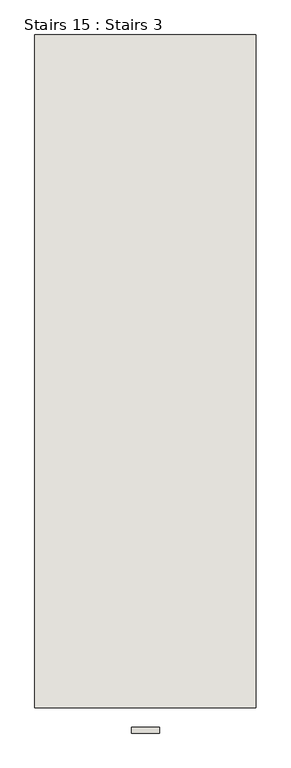
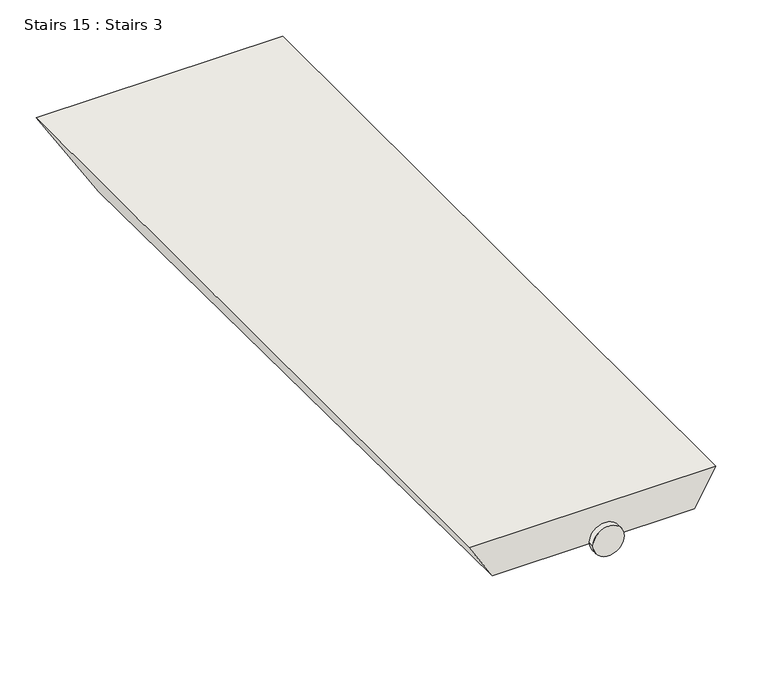
"""IFC4 building model written with IfcOpenShell, lengths in millimetres: wall geometry, Stairs 15 : Stairs 3."""

import ifcopenshell
import ifcopenshell.guid

model = None  # the IFC model being written
_history = None  # IfcOwnerHistory: only IFC2X3 demands one
_inside = {}  # id of a spatial element -> (the spatial element, [elements in it])
_under = {}  # id of a project, library or spatial element -> (it, [spatial elements below it])
_declared = {}  # id of a project -> (the project, [libraries it declares])
_typed = {}  # id of a type object -> (the type object, [elements of that type])
_made_of = {}  # id of a material, layer set ... -> (it, [elements and type objects made of it])


def new_model(schema):
    """Start an empty IFC model of exactly this schema.

    Asked for "IFC4X3", IfcOpenShell would pick the latest addendum, in which some entities
    have other attributes; the version numbers below select the first issue.
    IFC2X3 requires an IfcOwnerHistory on every rooted entity: one is made here for all.
    """
    global model, _history
    if schema == "IFC4X3":
        model = ifcopenshell.file(schema_version=(4, 3, 0, 0))
    else:
        model = ifcopenshell.file(schema=schema)
    _inside.clear()
    _under.clear()
    _declared.clear()
    _typed.clear()
    _made_of.clear()
    _history = None
    if model.schema == "IFC2X3":
        org = make("IfcOrganization", Name="unknown")
        user = make(
            "IfcPersonAndOrganization",
            ThePerson=make("IfcPerson", FamilyName="unknown"),
            TheOrganization=org,
        )
        app = make(
            "IfcApplication",
            ApplicationDeveloper=org,
            Version="unknown",
            ApplicationFullName="unknown",
            ApplicationIdentifier="unknown",
        )
        _history = make(
            "IfcOwnerHistory",
            OwningUser=user,
            OwningApplication=app,
            ChangeAction="ADDED",
            CreationDate=0,
        )
    return model


def make(cls, **values):
    """One entity of the class cls with the attributes given. An attribute that is None is left unset."""
    return model.create_entity(
        cls, **{name: value for name, value in values.items() if value is not None}
    )


def rooted(cls, **values):
    """An entity with a GlobalId (a new one), such as an element, a storey or a relation."""
    return make(cls, GlobalId=ifcopenshell.guid.new(), OwnerHistory=_history, **values)


def si_unit(unit_type, name, prefix=None):
    """IfcSIUnit, for example si_unit("LENGTHUNIT", "METRE", prefix="MILLI")."""
    return make("IfcSIUnit", UnitType=unit_type, Prefix=prefix, Name=name)


def assignment(units):
    """IfcUnitAssignment: the units of a project."""
    return None if units is None else make("IfcUnitAssignment", Units=units)


def point(xyz):
    """IfcCartesianPoint."""
    return None if xyz is None else make("IfcCartesianPoint", Coordinates=xyz)


def direction(xyz):
    """IfcDirection."""
    return None if xyz is None else make("IfcDirection", DirectionRatios=xyz)


def frame(location, z_axis=None, x_axis=None):
    """IfcAxis2Placement3D, a coordinate frame: its origin and axes. An axis left out is left unset."""
    return make(
        "IfcAxis2Placement3D",
        Location=point(location),
        Axis=direction(z_axis),
        RefDirection=direction(x_axis),
    )


def frame_2d(location, x_axis=None):
    """IfcAxis2Placement2D, a coordinate frame in the plane: its origin and x axis."""
    return make(
        "IfcAxis2Placement2D", Location=point(location), RefDirection=direction(x_axis)
    )


def origin():
    """The frame at (0, 0, 0) with its axes left unset."""
    return frame((0.0, 0.0, 0.0))


def place(relative_to, where):
    """IfcLocalPlacement: puts the frame where relative to a parent placement (None: the world)."""
    return make(
        "IfcLocalPlacement", PlacementRelTo=relative_to, RelativePlacement=where
    )


def context(
    kind, dimensions, precision=None, world=None, true_north=None, identifier=None
):
    """IfcGeometricRepresentationContext, for example the 3D "Model" context."""
    return make(
        "IfcGeometricRepresentationContext",
        ContextIdentifier=identifier,
        ContextType=kind,
        CoordinateSpaceDimension=dimensions,
        Precision=precision,
        WorldCoordinateSystem=world,
        TrueNorth=true_north,
    )


def project(units=None, contexts=None):
    """IfcProject with its units and contexts."""
    return rooted(
        "IfcProject",
        Name="project",
        RepresentationContexts=contexts,
        UnitsInContext=assignment(units),
    )


def spatial(cls, under=None, at=None, **own):
    """A site, building, storey or space (cls), placed at a placement, below another one or the project."""
    s = rooted(cls, ObjectPlacement=at, **own)
    if under is not None:
        _under.setdefault(under.id(), (under, []))[1].append(s)
    return s


def circle_curve(where, radius):
    """IfcCircle in the frame where."""
    return make("IfcCircle", Position=where, Radius=radius)


def trimmed(basis, trim1, trim2, sense, master):
    """IfcTrimmedCurve: the piece of a basis curve between two trims."""
    return make(
        "IfcTrimmedCurve",
        BasisCurve=basis,
        Trim1=trim1,
        Trim2=trim2,
        SenseAgreement=sense,
        MasterRepresentation=master,
    )


def segment(curve, same_sense, transition):
    """IfcCompositeCurveSegment."""
    return make(
        "IfcCompositeCurveSegment",
        Transition=transition,
        SameSense=same_sense,
        ParentCurve=curve,
    )


def composite_curve(segments, self_intersect=None):
    """IfcCompositeCurve: segments joined end to end."""
    return make("IfcCompositeCurve", Segments=segments, SelfIntersect=self_intersect)


def outline(outer, holes=None, kind="AREA"):
    """IfcArbitraryClosedProfileDef: a profile drawn as a closed curve; with holes, ...WithVoids."""
    if holes is None:
        return make("IfcArbitraryClosedProfileDef", ProfileType=kind, OuterCurve=outer)
    return make(
        "IfcArbitraryProfileDefWithVoids",
        ProfileType=kind,
        OuterCurve=outer,
        InnerCurves=holes,
    )


def extrude(swept, where, along, depth):
    """IfcExtrudedAreaSolid: the profile swept, set in the frame where, extruded along a direction by depth."""
    return make(
        "IfcExtrudedAreaSolid",
        SweptArea=swept,
        Position=where,
        ExtrudedDirection=direction(along),
        Depth=depth,
    )


def faces_of(points, faces, orient=None, outer=None):
    """IfcFace entities. A face is a list of loops; a loop is a list of indices into points, from 0.

    orient and outer hold one flag for each loop. By default every Orientation is true, the
    first loop of a face is its IfcFaceOuterBound and the others are IfcFaceBound.
    """
    made = []
    for i, loops in enumerate(faces):
        bounds = []
        for j, loop in enumerate(loops):
            is_outer = j == 0 if outer is None else outer[i][j]
            bounds.append(
                make(
                    "IfcFaceOuterBound" if is_outer else "IfcFaceBound",
                    Bound=make("IfcPolyLoop", Polygon=[points[k] for k in loop]),
                    Orientation=True if orient is None else orient[i][j],
                )
            )
        made.append(make("IfcFace", Bounds=bounds))
    return made


def faceted_brep(points, faces, orient=None, outer=None, voids=None):
    """IfcFacetedBrep: a solid bounded by flat faces; with voids (closed shells), ...WithVoids."""
    shared = [point(p) for p in points]
    hull = make("IfcClosedShell", CfsFaces=faces_of(shared, faces, orient, outer))
    if voids is None:
        return make("IfcFacetedBrep", Outer=hull)
    return make(
        "IfcFacetedBrepWithVoids",
        Outer=hull,
        Voids=[
            make(cls, CfsFaces=faces_of(shared, fs, o, b)) for cls, fs, o, b in voids
        ],
    )


def shape(context_of_items, identifier, shape_type, items):
    """IfcShapeRepresentation: the items that make up one representation, for example the "Body"."""
    return make(
        "IfcShapeRepresentation",
        ContextOfItems=context_of_items,
        RepresentationIdentifier=identifier,
        RepresentationType=shape_type,
        Items=items,
    )


def source(mapping_origin, context_of_items, identifier, shape_type, items):
    """IfcRepresentationMap: a shape defined once, which mapped items show again and again."""
    return make(
        "IfcRepresentationMap",
        MappingOrigin=mapping_origin,
        MappedRepresentation=shape(context_of_items, identifier, shape_type, items),
    )


def transform(
    local_origin,
    x_axis=None,
    y_axis=None,
    z_axis=None,
    scale=None,
    scale2=None,
    scale3=None,
    uniform=True,
):
    """IfcCartesianTransformationOperator3D, or its non-uniform kind. x_axis, y_axis, z_axis: its Axis1, 2, 3."""
    if uniform:
        return make(
            "IfcCartesianTransformationOperator3D",
            Axis1=direction(x_axis),
            Axis2=direction(y_axis),
            LocalOrigin=point(local_origin),
            Scale=scale,
            Axis3=direction(z_axis),
        )
    return make(
        "IfcCartesianTransformationOperator3DnonUniform",
        Axis1=direction(x_axis),
        Axis2=direction(y_axis),
        LocalOrigin=point(local_origin),
        Scale=scale,
        Axis3=direction(z_axis),
        Scale2=scale2,
        Scale3=scale3,
    )


def mapped(mapping_source, mapping_target):
    """IfcMappedItem: shows the shape of a source again, moved by a transform."""
    return make(
        "IfcMappedItem", MappingSource=mapping_source, MappingTarget=mapping_target
    )


def made_of(thing, what):
    """Note that an element or type object is made of a material, layer set ...; save() writes the relation."""
    if what is not None:
        _made_of.setdefault(what.id(), (what, []))[1].append(thing)
    return thing


def element(
    cls,
    number,
    at=None,
    inside=None,
    cuts=None,
    type_object=None,
    material=None,
    context=None,
    identifier="Body",
    shape_type=None,
    held_by="IfcProductDefinitionShape",
    body=None,
    shapes=None,
    **own,
):
    """One element of the class cls, such as IfcWall. Its Tag is "e" and its number.

    at: its placement. inside: the storey or other place that contains it. cuts: it is an
    opening in that element (IfcRelVoidsElement). A single representation is given by context,
    identifier, shape_type and body (its items); several are given by shapes. held_by: the class
    of the entity that holds the representations. save() writes the other relations.
    """
    e = rooted(cls, Tag="e%d" % number, ObjectPlacement=at, **own)
    if body is not None:
        shapes = [shape(context, identifier, shape_type, body)]
    if shapes is not None:
        e.Representation = make(held_by, Representations=shapes)
    if inside is not None:
        _inside.setdefault(inside.id(), (inside, []))[1].append(e)
    if cuts is not None:
        rooted(
            "IfcRelVoidsElement", RelatingBuildingElement=cuts, RelatedOpeningElement=e
        )
    if type_object is not None:
        _typed.setdefault(type_object.id(), (type_object, []))[1].append(e)
    return made_of(e, material)


def aggregate(whole, parts):
    """IfcRelAggregates: a whole, such as a stair, and the parts it consists of."""
    return rooted("IfcRelAggregates", RelatingObject=whole, RelatedObjects=parts)


def save(model, path):
    """Write the relations noted so far, then the file.

    IfcRelAggregates (storeys below a building ...), IfcRelContainedInSpatialStructure (elements
    in a storey), IfcRelDefinesByType, IfcRelAssociatesMaterial and IfcRelDeclares: one each for
    every whole, place, type object, material and project.
    """
    for whole, parts in _under.values():
        aggregate(whole, parts)
    for where, things in _inside.values():
        rooted(
            "IfcRelContainedInSpatialStructure",
            RelatedElements=things,
            RelatingStructure=where,
        )
    for kind, things in _typed.values():
        rooted("IfcRelDefinesByType", RelatedObjects=things, RelatingType=kind)
    for what, things in _made_of.values():
        rooted("IfcRelAssociatesMaterial", RelatedObjects=things, RelatingMaterial=what)
    for by, libraries in _declared.values():
        rooted("IfcRelDeclares", RelatingContext=by, RelatedDefinitions=libraries)
    model.write(path)


def stairs_15_stairs_3_b0c2f064(model_context):
    return source(origin(), model_context, "Body", "SolidModel", [
        extrude(outline(composite_curve([segment(trimmed(circle_curve(frame_2d((68677.7589795, 102269.7666632)), 25.0), [point((68677.7589795, 102294.7666632))], [point((68677.7589795, 102244.7666632))], False, "CARTESIAN"), True, "CONTINUOUS"), segment(trimmed(circle_curve(frame_2d((68677.7589795, 102269.7666632)), 25.0), [point((68677.7589795, 102244.7666632))], [point((68677.7589795, 102294.7666632))], False, "CARTESIAN"), True, "CONTINUOUS")], self_intersect=False)), frame((0.0, -36520.9230841, 0.0), z_axis=(0.0, 1.0, 0.0), x_axis=(0.0, 0.0, 1.0)), (0.0, 0.0, 1.0), 10.0),
        faceted_brep([(102467.1136429, -36475.9230841, 68707.7589795), (102072.4196835, -36475.9230841, 68707.7589795), (102109.9118446, -36475.9230841, 68647.7589795), (102432.4726268, -36475.9230841, 68647.7589795), (102072.4196835, -35275.9230841, 68707.7589795), (102467.1136429, -35275.9230841, 68707.7589795), (102374.7375998, -35275.9230841, 68547.7589795), (102172.3987798, -35275.9230841, 68547.7589795)], [[[0, 1, 2, 3]], [[4, 5, 6, 7]], [[5, 4, 1, 0]], [[7, 6, 3, 2]], [[2, 1, 4, 7]], [[0, 3, 6, 5]]]),
    ])


if __name__ == "__main__":
    model = new_model("IFC4")
    model_context = context("Model", 3, world=origin())
    ifc_project = project(units=[si_unit("LENGTHUNIT", "METRE", prefix="MILLI")], contexts=[model_context])
    site = spatial("IfcSite", under=ifc_project)
    building = spatial("IfcBuilding", under=site)
    placement = place(None, origin())
    stairs_15_stairs_3_shape = stairs_15_stairs_3_b0c2f064(model_context)
    element("IfcWall", 1, ObjectType="Stairs 15 : Stairs 3", at=placement, inside=building, context=model_context, shape_type="MappedRepresentation", body=[
        mapped(stairs_15_stairs_3_shape, transform((0.0, 0.0, 0.0), x_axis=(1.0, 0.0, 0.0), y_axis=(0.0, 1.0, 0.0), z_axis=(0.0, 0.0, 1.0))),
    ])
    save(model, "model.ifc")
